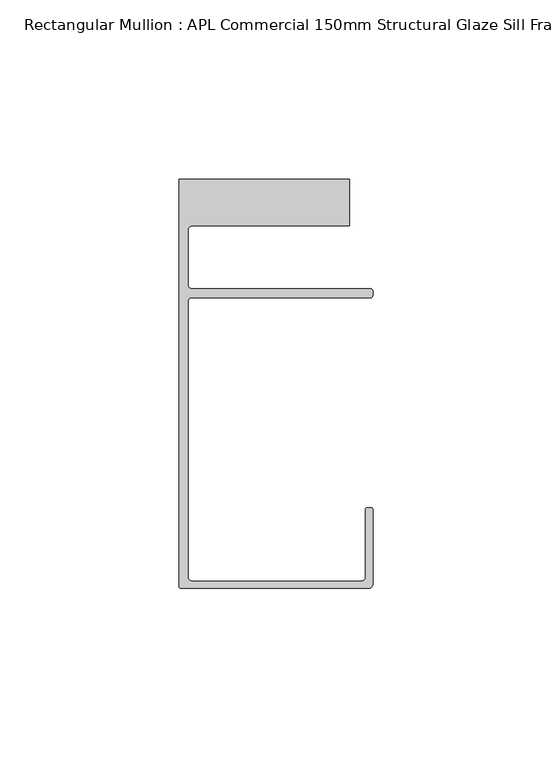
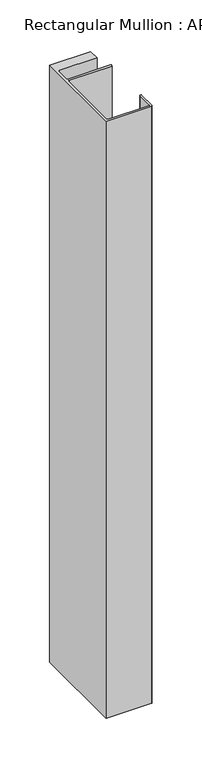
"""IFC4 building model written with IfcOpenShell, lengths in millimetres: member geometry, Rectangular Mullion : APL Commercial 150mm Structural Glaze Sill Frame (Back)."""

from ifc_helpers import new_model, si_unit, frame, origin, place, context, project, spatial, polyline, circle_curve, source, transform, mapped, element, save
from ifc_brep_helpers import plane_surface, cylinder_surface, revolved_surface, advanced_brep


def rectangular_mullion_apl_commercial_150mm_structural_glaze_bf1b847e(model_context):
    return source(origin(), model_context, "Body", "AdvancedBrep", [
        advanced_brep(
        [(-53.5000083, -129.0001071, 0.0), (-1.0000079, -129.0001071, 0.0), (-7.9e-06, -128.0001071, 0.0), (0.0, -107.0001071, 0.0), (-0.5, -106.5001071, 0.0), (-1.4999822, -106.5001071, 0.0), (-1.9999822, -107.0001071, 0.0), (-1.9999982, -126.0001071, 0.0), (-2.9999982, -127.0001071, 0.0), (-50.5000083, -127.00011, 0.0), (-51.5000083, -126.00011, 0.0), (-51.5000225, -48.9999541, 0.0), (-50.482081, -48.000115, 0.0), (-0.5000012, -48.000115, 0.0), (-5.4e-06, -47.5021598, 0.0), (-5.4e-06, -46.0213357, 0.0), (-0.521387, -45.4999541, 0.0), (-50.500032, -45.4999541, 0.0), (-51.500032, -44.4999541, 0.0), (-51.500032, -29.0004332, 0.0), (-50.500032, -28.0004332, 0.0), (-6.5000083, -28.0004332, 0.0), (-6.5000083, -15.0004332, 0.0), (-54.0000083, -15.0004332, 0.0), (-54.0000083, -128.5001071, 0.0), (-53.5000083, -129.0001071, -733.4594304), (-54.0000083, -128.5001071, -733.4594304), (-54.0000083, -15.0004332, -733.4594304), (-6.5000083, -15.0004332, -733.4594304), (-6.5000083, -28.0004332, -733.4594304), (-50.500032, -28.0004332, -733.4594304), (-51.500032, -29.0004332, -733.4594304), (-51.500032, -44.4999541, -733.4594304), (-50.500032, -45.4999541, -733.4594304), (-0.521387, -45.4999541, -733.4594304), (-5.4e-06, -46.0213357, -733.4594304), (-5.4e-06, -47.5021598, -733.4594304), (-0.5000012, -48.000115, -733.4594304), (-50.482081, -48.000115, -733.4594304), (-51.5000225, -48.9999541, -733.4594304), (-51.5000225, -126.00011, -733.4594304), (-50.5000083, -127.00011, -733.4594304), (-2.9999982, -127.00011, -733.4594304), (-1.9999982, -126.0001071, -733.4594304), (-1.9999982, -107.0001071, -733.4594304), (-1.4999822, -106.5001071, -733.4594304), (-0.5, -106.5001071, -733.4594304), (0.0, -107.0001071, -733.4594304), (0.0, -128.0001071, -733.4594304), (-1.0000079, -129.0001071, -733.4594304)],
        [
            (0, 1),
            (1, 2, circle_curve(frame((-1.0000079, -128.0001071, 0.0), z_axis=(0.0, 0.0, 1.0), x_axis=(0.9999999999996143, -8.78371761103865e-07, 0.0)), 1.0)),
            (2, 3),
            (3, 4, circle_curve(frame((-0.5, -107.0001071, 0.0), z_axis=(0.0, 0.0, 1.0), x_axis=(0.0, 1.0, 0.0)), 0.5)),
            (4, 5),
            (5, 6, circle_curve(frame((-1.4999822, -107.0001071, 0.0), z_axis=(0.0, 0.0, 1.0), x_axis=(-1.0, 1.039279773351609e-08, 0.0)), 0.5)),
            (6, 7),
            (7, 8, circle_curve(frame((-2.9999982, -126.0001071, 0.0), z_axis=(0.0, 0.0, -1.0), x_axis=(0.0, -1.0, 0.0)), 1.0)),
            (8, 9),
            (9, 10, circle_curve(frame((-50.5000083, -126.00011, 0.0), z_axis=(0.0, 0.0, -1.0), x_axis=(-1.0, -3.636202450239078e-12, 0.0)), 1.0)),
            (10, 11),
            (11, 12, circle_curve(frame((-50.5000225, -48.9999541, 0.0), z_axis=(0.0, 0.0, -1.0), x_axis=(3.5344775231070867e-06, 0.9999999999937538, 0.0)), 1.0)),
            (12, 13),
            (13, 14, circle_curve(frame((-0.5000012, -47.500115, 0.0), z_axis=(0.0, 0.0, 1.0), x_axis=(0.9999999999999991, 4.5120271963110614e-08, 0.0)), 0.5)),
            (14, 15),
            (15, 16, circle_curve(frame((-0.521387, -46.0213357, 0.0), z_axis=(0.0, 0.0, 1.0), x_axis=(-1.0, 0.0, 0.0)), 0.5213816)),
            (16, 17),
            (17, 18, circle_curve(frame((-50.500032, -44.4999541, 0.0), z_axis=(0.0, 0.0, -1.0), x_axis=(-0.9999999999998819, -4.863123717036027e-07, 0.0)), 1.0)),
            (18, 19),
            (19, 20, circle_curve(frame((-50.500032, -29.0004332, 0.0), z_axis=(0.0, 0.0, -1.0), x_axis=(0.0, 1.0, 0.0)), 1.0)),
            (20, 21),
            (21, 22),
            (22, 23),
            (23, 24),
            (24, 0, circle_curve(frame((-53.5000083, -128.5001071, 0.0), z_axis=(0.0, 0.0, 1.0), x_axis=(0.0, -1.0, 0.0)), 0.5)),
            (25, 26, circle_curve(frame((-53.5000083, -128.5001071, -733.4594304), z_axis=(0.0, 0.0, -1.0), x_axis=(0.0, -1.0, 0.0)), 0.5)),
            (26, 27),
            (27, 28),
            (28, 29),
            (29, 30),
            (30, 31, circle_curve(frame((-50.500032, -29.0004332, -733.4594304), z_axis=(0.0, 0.0, 1.0), x_axis=(0.0, 1.0, 0.0)), 1.0)),
            (31, 32),
            (32, 33, circle_curve(frame((-50.500032, -44.4999541, -733.4594304), z_axis=(0.0, 0.0, 1.0), x_axis=(-0.9999999999998819, -4.863123717036027e-07, 0.0)), 1.0)),
            (33, 34),
            (34, 35, circle_curve(frame((-0.521387, -46.0213357, -733.4594304), z_axis=(0.0, 0.0, -1.0), x_axis=(-1.0, 0.0, 0.0)), 0.5213816)),
            (35, 36),
            (36, 37, circle_curve(frame((-0.5000012, -47.500115, -733.4594304), z_axis=(0.0, 0.0, -1.0), x_axis=(0.9999999999999991, 4.5120271963110614e-08, 0.0)), 0.5)),
            (37, 38),
            (38, 39, circle_curve(frame((-50.5000225, -48.9999541, -733.4594304), z_axis=(0.0, 0.0, 1.0), x_axis=(3.5344775231070867e-06, 0.9999999999937538, 0.0)), 1.0)),
            (39, 40),
            (40, 41, circle_curve(frame((-50.5000083, -126.00011, -733.4594304), z_axis=(0.0, 0.0, 1.0), x_axis=(-1.0, -3.636202450239078e-12, 0.0)), 1.0)),
            (41, 42),
            (42, 43, circle_curve(frame((-2.9999982, -126.0001071, -733.4594304), z_axis=(0.0, 0.0, 1.0), x_axis=(0.0, -1.0, 0.0)), 1.0)),
            (43, 44),
            (44, 45, circle_curve(frame((-1.4999822, -107.0001071, -733.4594304), z_axis=(0.0, 0.0, -1.0), x_axis=(-1.0, 1.039279773351609e-08, 0.0)), 0.5)),
            (45, 46),
            (46, 47, circle_curve(frame((-0.5, -107.0001071, -733.4594304), z_axis=(0.0, 0.0, -1.0), x_axis=(0.0, 1.0, 0.0)), 0.5)),
            (47, 48),
            (48, 49, circle_curve(frame((-1.0000079, -128.0001071, -733.4594304), z_axis=(0.0, 0.0, -1.0), x_axis=(0.9999999999996143, -8.78371761103865e-07, 0.0)), 1.0)),
            (49, 25),
            (0, 25),
            (49, 1),
            (48, 2),
            (47, 3),
            (46, 4),
            (45, 5),
            (44, 6),
            (43, 7),
            (42, 8),
            (41, 9),
            (40, 10),
            (39, 11),
            (38, 12),
            (37, 13),
            (36, 14),
            (35, 15),
            (34, 16),
            (33, 17),
            (32, 18),
            (31, 19),
            (30, 20),
            (29, 21),
            (28, 22),
            (27, 23),
            (26, 24),
        ],
        [
            plane_surface(frame((0.0, -139.6548314, 0.0), z_axis=(0.0, 0.0, 1.0), x_axis=(-1.0, 0.0, 0.0))),
            plane_surface(frame((0.0, -139.6548314, -733.4594304), z_axis=(0.0, 0.0, -1.0), x_axis=(-1.0, 0.0, 0.0))),
            plane_surface(frame((-53.5000083, -129.0001071, 0.0), z_axis=(0.0, -1.0, 0.0), x_axis=(0.0, 0.0, -1.0))),
            cylinder_surface(frame((-1.0000079, -128.0001071, 0.0), z_axis=(0.0, 0.0, 1.0000000000000002), x_axis=(0.9999999999996143, -8.78371761103865e-07, 0.0)), 1.0),
            plane_surface(frame((0.0, -128.0001071, 0.0), z_axis=(1.0, 0.0, 0.0), x_axis=(0.0, 0.0, -1.0))),
            cylinder_surface(frame((-0.5, -107.0001071, 0.0), z_axis=(0.0, 0.0, 1.0), x_axis=(0.0, 1.0, 0.0)), 0.5),
            plane_surface(frame((-0.5, -106.5001071, 0.0), z_axis=(0.0, 1.0, 0.0), x_axis=(0.0, 0.0, -1.0))),
            cylinder_surface(frame((-1.4999822, -107.0001071, 0.0), z_axis=(0.0, 0.0, 1.0), x_axis=(-1.0, 1.039279773351609e-08, 0.0)), 0.5),
            plane_surface(frame((-1.9999982, -107.0001071, 0.0), z_axis=(-1.0, 0.0, 0.0), x_axis=(0.0, 0.0, -1.0))),
            revolved_surface(polyline([(-2.9999982, -127.0001071, -733.4594304), (-2.9999982, -127.0001071, 0.0)]), (-2.9999982, -126.0001071, 0.0), (0.0, 0.0, -1.0)),
            plane_surface(frame((-2.9999982, -127.00011, 0.0), z_axis=(0.0, 1.0, 0.0), x_axis=(0.0, 0.0, -1.0))),
            revolved_surface(polyline([(-51.5000083, -126.00011000000364, -733.4594304), (-51.5000083, -126.00011000000364, 0.0)]), (-50.5000083, -126.00011, 0.0), (0.0, 0.0, -1.0)),
            plane_surface(frame((-51.5000225, -126.00011, 0.0), z_axis=(1.0, 0.0, 0.0), x_axis=(0.0, 0.0, -1.0))),
            revolved_surface(polyline([(-50.50001896552248, -47.99995410000624, -733.4594304), (-50.50001896552248, -47.99995410000624, 0.0)]), (-50.5000225, -48.9999541, 0.0), (0.0, 0.0, -1.0)),
            plane_surface(frame((-50.482081, -48.000115, 0.0), z_axis=(0.0, -1.0, 0.0), x_axis=(0.0, 0.0, -1.0))),
            cylinder_surface(frame((-0.5000012, -47.500115, 0.0), z_axis=(0.0, 0.0, 1.0000000000000002), x_axis=(0.9999999999999991, 4.5120271963110614e-08, 0.0)), 0.5),
            plane_surface(frame((-5.4e-06, -47.5021598, 0.0), z_axis=(1.0, 0.0, 0.0), x_axis=(0.0, 0.0, -1.0))),
            cylinder_surface(frame((-0.521387, -46.0213357, 0.0), z_axis=(0.0, 0.0, 1.0), x_axis=(-1.0, 0.0, 0.0)), 0.5213816),
            plane_surface(frame((-0.521387, -45.4999541, 0.0), z_axis=(0.0, 1.0, 0.0), x_axis=(0.0, 0.0, -1.0))),
            revolved_surface(polyline([(-51.50003199999988, -44.49995458631237, -733.4594304000002), (-51.50003199999988, -44.49995458631237, 0.0)]), (-50.500032, -44.4999541, 0.0), (0.0, 0.0, -1.0000000000000002)),
            plane_surface(frame((-51.500032, -44.4999541, 0.0), z_axis=(1.0, 0.0, 0.0), x_axis=(0.0, 0.0, -1.0))),
            revolved_surface(polyline([(-50.500032, -28.0004332, -733.4594304), (-50.500032, -28.0004332, 0.0)]), (-50.500032, -29.0004332, 0.0), (0.0, 0.0, -1.0)),
            plane_surface(frame((-50.500032, -28.0004332, 0.0), z_axis=(0.0, -1.0, 0.0), x_axis=(0.0, 0.0, -1.0))),
            plane_surface(frame((-6.5000083, -28.0004332, 0.0), z_axis=(1.0, 0.0, 0.0), x_axis=(0.0, 0.0, -1.0))),
            plane_surface(frame((-6.5000083, -15.0004332, 0.0), z_axis=(0.0, 1.0, 0.0), x_axis=(0.0, 0.0, -1.0))),
            plane_surface(frame((-54.0000083, -15.0004332, 0.0), z_axis=(-1.0, 0.0, 0.0), x_axis=(0.0, 0.0, -1.0))),
            cylinder_surface(frame((-53.5000083, -128.5001071, 0.0), z_axis=(0.0, 0.0, 1.0), x_axis=(0.0, -1.0, 0.0)), 0.5),
        ],
        [
            (0, [[1, 2, 3, 4, 5, 6, 7, 8, 9, 10, 11, 12, 13, 14, 15, 16, 17, 18, 19, 20, 21, 22, 23, 24, 25]]),
            (1, [[26, 27, 28, 29, 30, 31, 32, 33, 34, 35, 36, 37, 38, 39, 40, 41, 42, 43, 44, 45, 46, 47, 48, 49, 50]]),
            (2, [[-1, 51, -50, 52]]),
            (3, [[-2, -52, -49, 53]]),
            (4, [[-3, -53, -48, 54]]),
            (5, [[-4, -54, -47, 55]]),
            (6, [[-5, -55, -46, 56]]),
            (7, [[-6, -56, -45, 57]]),
            (8, [[-7, -57, -44, 58]]),
            (9, [[-8, -58, -43, 59]]),
            (10, [[-9, -59, -42, 60]]),
            (11, [[-10, -60, -41, 61]]),
            (12, [[-11, -61, -40, 62]]),
            (13, [[-12, -62, -39, 63]]),
            (14, [[-13, -63, -38, 64]]),
            (15, [[-14, -64, -37, 65]]),
            (16, [[-15, -65, -36, 66]]),
            (17, [[-16, -66, -35, 67]]),
            (18, [[-17, -67, -34, 68]]),
            (19, [[-18, -68, -33, 69]]),
            (20, [[-19, -69, -32, 70]]),
            (21, [[-20, -70, -31, 71]]),
            (22, [[-21, -71, -30, 72]]),
            (23, [[-22, -72, -29, 73]]),
            (24, [[-23, -73, -28, 74]]),
            (25, [[-24, -74, -27, 75]]),
            (26, [[-25, -75, -26, -51]]),
        ],
    ),
    ])


if __name__ == "__main__":
    model = new_model("IFC4")
    model_context = context("Model", 3, world=origin())
    ifc_project = project(units=[si_unit("LENGTHUNIT", "METRE", prefix="MILLI")], contexts=[model_context])
    site = spatial("IfcSite", under=ifc_project)
    building = spatial("IfcBuilding", under=site)
    placement = place(None, origin())
    rectangular_mullion_apl_commercial_150mm_structural_glaze_shape = rectangular_mullion_apl_commercial_150mm_structural_glaze_bf1b847e(model_context)
    element("IfcMember", 1, ObjectType="Rectangular Mullion : APL Commercial 150mm Structural Glaze Sill Frame (Back)", at=placement, inside=building, context=model_context, shape_type="MappedRepresentation", body=[
        mapped(rectangular_mullion_apl_commercial_150mm_structural_glaze_shape, transform((0.0, 0.0, 0.0), x_axis=(1.0, 0.0, 0.0), y_axis=(0.0, 1.0, 0.0), z_axis=(0.0, 0.0, 1.0))),
    ])
    save(model, "model.ifc")
